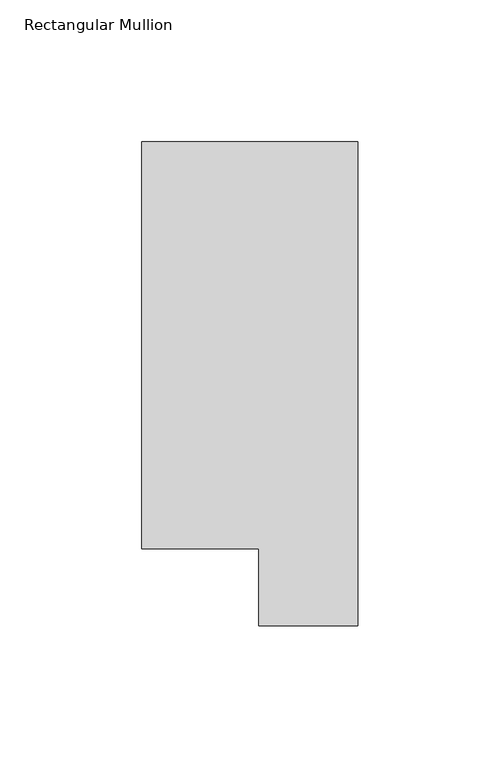
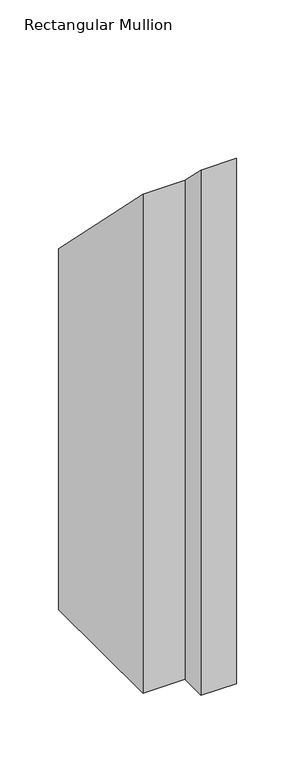
"""IFC4 building model written with IfcOpenShell, lengths in millimetres: member geometry, Rectangular Mullion."""

from ifc_helpers import new_model, si_unit, origin, place, context, project, spatial, faceted_brep, source, transform, mapped, element, save


def rectangular_mullion_222a479f(model_context):
    return source(origin(), model_context, "Body", "Brep", [
        faceted_brep([(0.0, 190.2801312, -565.1499998), (0.0, 19.5667312, -565.1499998), (-34.9123, 19.5667312, -565.1499998), (-34.9123, 46.7447302, -565.1499998), (-76.2, 46.7447302, -565.1499998), (-76.2, 190.2801312, -565.1499998), (-76.2, 190.2801312, -190.2801312), (0.0, 190.2801312, -190.2801312), (-76.2, 46.7447302, -46.7447302), (-34.9123, 46.7447302, -46.7447302), (-34.9123, 19.5667312, -19.5667312), (0.0, 19.5667312, -19.5667312)], [[[0, 1, 2, 3, 4, 5]], [[6, 7, 0, 5]], [[8, 6, 5, 4]], [[9, 8, 4, 3]], [[10, 9, 3, 2]], [[11, 10, 2, 1]], [[7, 11, 1, 0]], [[7, 6, 8, 9, 10, 11]]]),
    ])


if __name__ == "__main__":
    model = new_model("IFC4")
    model_context = context("Model", 3, world=origin())
    ifc_project = project(units=[si_unit("LENGTHUNIT", "METRE", prefix="MILLI")], contexts=[model_context])
    site = spatial("IfcSite", under=ifc_project)
    building = spatial("IfcBuilding", under=site)
    placement = place(None, origin())
    rectangular_mullion_shape = rectangular_mullion_222a479f(model_context)
    element("IfcMember", 1, ObjectType="Rectangular Mullion", at=placement, inside=building, context=model_context, shape_type="MappedRepresentation", body=[
        mapped(rectangular_mullion_shape, transform((0.0, 0.0, 0.0), x_axis=(1.0, 0.0, 0.0), y_axis=(0.0, 1.0, 0.0), z_axis=(0.0, 0.0, 1.0))),
    ])
    save(model, "model.ifc")
